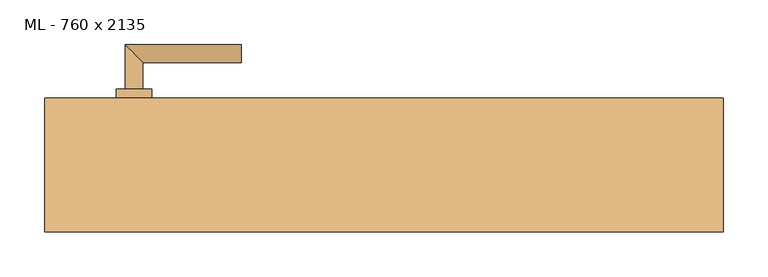
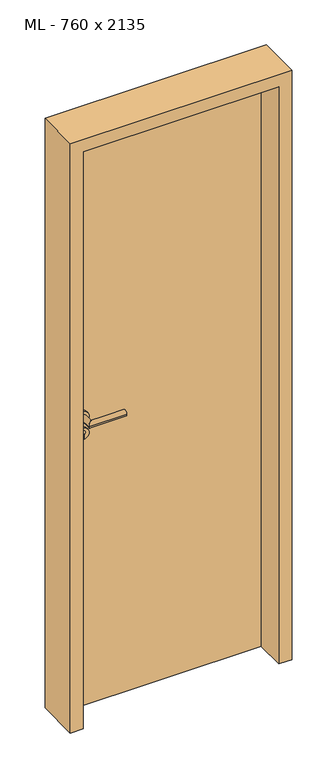
"""IFC4 building model written with IfcOpenShell, lengths in millimetres: door geometry, ML - 760 x 2135."""

from ifc_helpers import new_model, si_unit, point, frame, frame_2d, origin, origin_with_axes, place, context, project, spatial, polyline, circle_curve, ellipse_curve, trimmed, segment, composite_curve, outline, extrude, faceted_brep, source, transform, mapped, element, save
from ifc_brep_helpers import plane_surface, cylinder_surface, advanced_brep


def ml_760_x_2135_b7d29b9c(model_context):
    return source(origin(), model_context, "Body", "SolidModel", [
        extrude(outline(polyline([(346.0, 75.0), (346.0, 30.0), (-346.0, 30.0), (-346.0, 75.0), (346.0, 75.0)])), origin_with_axes(), (0.0, 0.0, 1.0), 2101.0),
        advanced_brep(
        [(-270.0, 85.0, 1050.0), (-290.0, 85.0, 1050.0), (-270.0, 115.0, 1050.0), (-290.0, 135.0, 1050.0), (-160.0, 115.0, 1050.0), (-160.0, 135.0, 1050.0)],
        [
            (0, 1, circle_curve(frame((-280.0, 85.0, 1050.0), z_axis=(0.0, -1.0, 0.0), x_axis=(-1.0, 0.0, 0.0)), 10.0)),
            (1, 0, circle_curve(frame((-280.0, 85.0, 1050.0), z_axis=(0.0, -1.0, 0.0), x_axis=(-1.0, 0.0, 0.0)), 10.0)),
            (0, 2),
            (2, 3, ellipse_curve(frame((-280.0, 125.0, 1050.0), z_axis=(-0.7071067811865531, -0.7071067811865419, 0.0), x_axis=(0.707106781186542, -0.707106781186553, 0.0)), 14.1421356, 10.0)),
            (3, 1),
            (3, 2, ellipse_curve(frame((-280.0, 125.0, 1050.0), z_axis=(-0.7071067811865531, -0.7071067811865419, 0.0), x_axis=(0.707106781186542, -0.707106781186553, 0.0)), 14.1421356, 10.0)),
            (4, 5, circle_curve(frame((-160.0, 125.0, 1050.0), z_axis=(1.0, 0.0, 0.0), x_axis=(0.0, 1.0, 0.0)), 10.0)),
            (5, 4, circle_curve(frame((-160.0, 125.0, 1050.0), z_axis=(1.0, 0.0, 0.0), x_axis=(0.0, 1.0, 0.0)), 10.0)),
            (2, 4),
            (5, 3),
        ],
        [
            plane_surface(frame((-280.0, 85.0, 1050.0), z_axis=(0.0, -1.0, 0.0), x_axis=(0.0, 0.0, 1.0))),
            cylinder_surface(frame((-280.0, 85.0, 1050.0), z_axis=(0.0, -1.0, 0.0), x_axis=(-1.0, 0.0, 0.0)), 10.0),
            plane_surface(frame((-160.0, 125.0, 1050.0), z_axis=(1.0, 0.0, 0.0), x_axis=(0.0, 0.0, 1.0))),
            cylinder_surface(frame((-280.0, 125.0, 1050.0), z_axis=(-1.0, 0.0, 0.0), x_axis=(0.0, 1.0, 0.0)), 10.0),
        ],
        [
            (0, [[1, 2]]),
            (1, [[-1, 3, 4, 5]]),
            (1, [[-2, -5, 6, -3]]),
            (2, [[7, 8]]),
            (3, [[-4, 9, -8, 10]]),
            (3, [[-6, -10, -7, -9]]),
        ],
    ),
        extrude(outline(composite_curve([segment(trimmed(circle_curve(frame_2d((990.0, -280.0)), 20.0), [point((990.0, -300.0))], [point((990.0, -260.0))], False, "CARTESIAN"), True, "CONTINUOUS"), segment(trimmed(circle_curve(frame_2d((990.0, -280.0)), 20.0), [point((990.0, -260.0))], [point((990.0, -300.0))], False, "CARTESIAN"), True, "CONTINUOUS")], self_intersect=False), holes=[composite_curve([segment(polyline([(976.4601385, -282.397268), (988.4749012, -282.397268)]), True, "CONTINUOUS"), segment(trimmed(circle_curve(frame_2d((995.0361633, -280.0)), 6.9854888), [point((988.4749012, -282.397268))], [point((988.4749012, -277.602732))], True, "CARTESIAN"), True, "CONTINUOUS"), segment(polyline([(988.4749012, -277.602732), (976.4601385, -277.602732)]), True, "CONTINUOUS"), segment(trimmed(circle_curve(frame_2d((976.4601385, -280.0)), 2.397268), [point((976.4601385, -277.602732))], [point((976.4601385, -282.397268))], True, "CARTESIAN"), True, "CONTINUOUS")], self_intersect=False)]), frame((0.0, 75.0, 0.0), z_axis=(0.0, 1.0, 0.0), x_axis=(0.0, 0.0, 1.0)), (0.0, 0.0, 1.0), 10.0),
        advanced_brep(
        [(-270.0, 85.0, 1050.0), (-290.0, 85.0, 1050.0), (-270.0, 115.0, 1050.0), (-290.0, 135.0, 1050.0), (-160.0, 115.0, 1050.0), (-160.0, 135.0, 1050.0)],
        [
            (0, 1, circle_curve(frame((-280.0, 85.0, 1050.0), z_axis=(0.0, -1.0, 0.0), x_axis=(-1.0, 0.0, 0.0)), 10.0)),
            (1, 0, circle_curve(frame((-280.0, 85.0, 1050.0), z_axis=(0.0, -1.0, 0.0), x_axis=(-1.0, 0.0, 0.0)), 10.0)),
            (0, 2),
            (2, 3, ellipse_curve(frame((-280.0, 125.0, 1050.0), z_axis=(-0.7071067811865537, -0.7071067811865414, 0.0), x_axis=(0.7071067811865414, -0.7071067811865536, 0.0)), 14.1421356, 10.0)),
            (3, 1),
            (3, 2, ellipse_curve(frame((-280.0, 125.0, 1050.0), z_axis=(-0.7071067811865537, -0.7071067811865414, 0.0), x_axis=(0.7071067811865414, -0.7071067811865536, 0.0)), 14.1421356, 10.0)),
            (4, 5, circle_curve(frame((-160.0, 125.0, 1050.0), z_axis=(1.0, 0.0, 0.0), x_axis=(0.0, 1.0, 0.0)), 10.0)),
            (5, 4, circle_curve(frame((-160.0, 125.0, 1050.0), z_axis=(1.0, 0.0, 0.0), x_axis=(0.0, 1.0, 0.0)), 10.0)),
            (2, 4),
            (5, 3),
        ],
        [
            plane_surface(frame((-280.0, 85.0, 1050.0), z_axis=(0.0, -1.0, 0.0), x_axis=(0.0, 0.0, 1.0))),
            cylinder_surface(frame((-280.0, 85.0, 1050.0), z_axis=(0.0, -1.0, 0.0), x_axis=(-1.0, 0.0, 0.0)), 10.0),
            plane_surface(frame((-160.0, 125.0, 1050.0), z_axis=(1.0, 0.0, 0.0), x_axis=(0.0, 0.0, 1.0))),
            cylinder_surface(frame((-280.0, 125.0, 1050.0), z_axis=(-1.0, 0.0, 0.0), x_axis=(0.0, 1.0, 0.0)), 10.0),
        ],
        [
            (0, [[1, 2]]),
            (1, [[-1, 3, 4, 5]]),
            (1, [[-2, -5, 6, -3]]),
            (2, [[7, 8]]),
            (3, [[-4, 9, -8, 10]]),
            (3, [[-6, -10, -7, -9]]),
        ],
    ),
        extrude(outline(composite_curve([segment(trimmed(circle_curve(frame_2d((1050.0, -280.0)), 20.0), [point((1050.0, -300.0))], [point((1050.0, -260.0))], False, "CARTESIAN"), True, "CONTINUOUS"), segment(trimmed(circle_curve(frame_2d((1050.0, -280.0)), 20.0), [point((1050.0, -260.0))], [point((1050.0, -300.0))], False, "CARTESIAN"), True, "CONTINUOUS")], self_intersect=False)), frame((0.0, 75.0, 0.0), z_axis=(0.0, 1.0, 0.0), x_axis=(0.0, 0.0, 1.0)), (0.0, 0.0, 1.0), 10.0),
        advanced_brep(
        [(-270.0, 20.0, 1050.0), (-290.0, 20.0, 1050.0), (-290.0, -30.0, 1050.0), (-270.0, -10.0, 1050.0), (-160.0, -10.0, 1050.0), (-160.0, -30.0, 1050.0)],
        [
            (0, 1, circle_curve(frame((-280.0, 20.0, 1050.0), z_axis=(0.0, 1.0, 0.0), x_axis=(-1.0, 0.0, 0.0)), 10.0)),
            (1, 0, circle_curve(frame((-280.0, 20.0, 1050.0), z_axis=(0.0, 1.0, 0.0), x_axis=(-1.0, 0.0, 0.0)), 10.0)),
            (1, 2),
            (2, 3, ellipse_curve(frame((-280.0, -20.0, 1050.0), z_axis=(-0.7071067811865486, 0.7071067811865464, 0.0), x_axis=(0.7071067811865464, 0.7071067811865488, 0.0)), 14.1421356, 10.0)),
            (3, 0),
            (3, 2, ellipse_curve(frame((-280.0, -20.0, 1050.0), z_axis=(-0.7071067811865486, 0.7071067811865464, 0.0), x_axis=(0.7071067811865464, 0.7071067811865488, 0.0)), 14.1421356, 10.0)),
            (4, 5, circle_curve(frame((-160.0, -20.0, 1050.0), z_axis=(1.0, 0.0, 0.0), x_axis=(0.0, -1.0, 0.0)), 10.0)),
            (5, 4, circle_curve(frame((-160.0, -20.0, 1050.0), z_axis=(1.0, 0.0, 0.0), x_axis=(0.0, -1.0, 0.0)), 10.0)),
            (2, 5),
            (4, 3),
        ],
        [
            plane_surface(frame((-280.0, 20.0, 1050.0), z_axis=(0.0, 1.0, 0.0), x_axis=(0.0, 0.0, 1.0))),
            cylinder_surface(frame((-280.0, 20.0, 1050.0), z_axis=(0.0, 1.0, 0.0), x_axis=(-1.0, 0.0, 0.0)), 10.0),
            plane_surface(frame((-160.0, -20.0, 1050.0), z_axis=(1.0, 0.0, 0.0), x_axis=(0.0, 0.0, 1.0))),
            cylinder_surface(frame((-280.0, -20.0, 1050.0), z_axis=(-1.0, 0.0, 0.0), x_axis=(0.0, -1.0, 0.0)), 10.0),
        ],
        [
            (0, [[1, 2]]),
            (1, [[3, 4, 5, -2]]),
            (1, [[-5, 6, -3, -1]]),
            (2, [[7, 8]]),
            (3, [[9, -7, 10, -4]]),
            (3, [[-10, -8, -9, -6]]),
        ],
    ),
        extrude(outline(composite_curve([segment(trimmed(circle_curve(frame_2d((990.0, -280.0)), 20.0), [point((990.0, -300.0))], [point((990.0, -260.0))], False, "CARTESIAN"), True, "CONTINUOUS"), segment(trimmed(circle_curve(frame_2d((990.0, -280.0)), 20.0), [point((990.0, -260.0))], [point((990.0, -300.0))], False, "CARTESIAN"), True, "CONTINUOUS")], self_intersect=False), holes=[composite_curve([segment(polyline([(976.4601385, -282.397268), (988.4749012, -282.397268)]), True, "CONTINUOUS"), segment(trimmed(circle_curve(frame_2d((995.0361633, -280.0)), 6.9854888), [point((988.4749012, -282.397268))], [point((988.4749012, -277.602732))], True, "CARTESIAN"), True, "CONTINUOUS"), segment(polyline([(988.4749012, -277.602732), (976.4601385, -277.602732)]), True, "CONTINUOUS"), segment(trimmed(circle_curve(frame_2d((976.4601385, -280.0)), 2.397268), [point((976.4601385, -277.602732))], [point((976.4601385, -282.397268))], True, "CARTESIAN"), True, "CONTINUOUS")], self_intersect=False)]), frame((0.0, 20.0, 0.0), z_axis=(0.0, 1.0, 0.0), x_axis=(0.0, 0.0, 1.0)), (0.0, 0.0, 1.0), 10.0),
        advanced_brep(
        [(-270.0, 20.0, 1050.0), (-290.0, 20.0, 1050.0), (-290.0, -30.0, 1050.0), (-270.0, -10.0, 1050.0), (-160.0, -10.0, 1050.0), (-160.0, -30.0, 1050.0)],
        [
            (0, 1, circle_curve(frame((-280.0, 20.0, 1050.0), z_axis=(0.0, 1.0, 0.0), x_axis=(-1.0, 0.0, 0.0)), 10.0)),
            (1, 0, circle_curve(frame((-280.0, 20.0, 1050.0), z_axis=(0.0, 1.0, 0.0), x_axis=(-1.0, 0.0, 0.0)), 10.0)),
            (1, 2),
            (2, 3, ellipse_curve(frame((-280.0, -20.0, 1050.0), z_axis=(-0.7071067811865491, 0.7071067811865459, 0.0), x_axis=(0.7071067811865458, 0.7071067811865492, 0.0)), 14.1421356, 10.0)),
            (3, 0),
            (3, 2, ellipse_curve(frame((-280.0, -20.0, 1050.0), z_axis=(-0.7071067811865491, 0.7071067811865459, 0.0), x_axis=(0.7071067811865458, 0.7071067811865492, 0.0)), 14.1421356, 10.0)),
            (4, 5, circle_curve(frame((-160.0, -20.0, 1050.0), z_axis=(1.0, 0.0, 0.0), x_axis=(0.0, -1.0, 0.0)), 10.0)),
            (5, 4, circle_curve(frame((-160.0, -20.0, 1050.0), z_axis=(1.0, 0.0, 0.0), x_axis=(0.0, -1.0, 0.0)), 10.0)),
            (2, 5),
            (4, 3),
        ],
        [
            plane_surface(frame((-280.0, 20.0, 1050.0), z_axis=(0.0, 1.0, 0.0), x_axis=(0.0, 0.0, 1.0))),
            cylinder_surface(frame((-280.0, 20.0, 1050.0), z_axis=(0.0, 1.0, 0.0), x_axis=(-1.0, 0.0, 0.0)), 10.0),
            plane_surface(frame((-160.0, -20.0, 1050.0), z_axis=(1.0, 0.0, 0.0), x_axis=(0.0, 0.0, 1.0))),
            cylinder_surface(frame((-280.0, -20.0, 1050.0), z_axis=(-1.0, 0.0, 0.0), x_axis=(0.0, -1.0, 0.0)), 10.0),
        ],
        [
            (0, [[1, 2]]),
            (1, [[3, 4, 5, -2]]),
            (1, [[-5, 6, -3, -1]]),
            (2, [[7, 8]]),
            (3, [[9, -7, 10, -4]]),
            (3, [[-10, -8, -9, -6]]),
        ],
    ),
        extrude(outline(composite_curve([segment(trimmed(circle_curve(frame_2d((1050.0, -280.0)), 20.0), [point((1050.0, -300.0))], [point((1050.0, -260.0))], False, "CARTESIAN"), True, "CONTINUOUS"), segment(trimmed(circle_curve(frame_2d((1050.0, -280.0)), 20.0), [point((1050.0, -260.0))], [point((1050.0, -300.0))], False, "CARTESIAN"), True, "CONTINUOUS")], self_intersect=False)), frame((0.0, 20.0, 0.0), z_axis=(0.0, 1.0, 0.0), x_axis=(0.0, 0.0, 1.0)), (0.0, 0.0, 1.0), 10.0),
        faceted_brep([(-350.0, 75.0, 0.0), (-350.0, 30.0, 0.0), (-335.0, 30.0, 0.0), (-335.0, -75.0, 0.0), (-380.0, -75.0, 0.0), (-380.0, 75.0, 0.0), (-350.0, 75.0, 2105.0), (-350.0, 30.0, 2105.0), (350.0, 30.0, 2105.0), (350.0, 30.0, 0.0), (335.0, 30.0, 0.0), (335.0, 30.0, 2090.0), (-335.0, 30.0, 2090.0), (-335.0, -75.0, 2090.0), (335.0, -75.0, 2090.0), (335.0, -75.0, 0.0), (380.0, -75.0, 0.0), (380.0, -75.0, 2135.0), (-380.0, -75.0, 2135.0), (-380.0, 75.0, 2135.0), (380.0, 75.0, 2135.0), (380.0, 75.0, 0.0), (350.0, 75.0, 0.0), (350.0, 75.0, 2105.0)], [[[0, 1, 2, 3, 4, 5]], [[1, 0, 6, 7]], [[2, 1, 7, 8, 9, 10, 11, 12]], [[3, 2, 12, 13]], [[4, 3, 13, 14, 15, 16, 17, 18]], [[5, 4, 18, 19]], [[0, 5, 19, 20, 21, 22, 23, 6]], [[20, 17, 16, 21]], [[22, 21, 16, 15, 10, 9]], [[8, 23, 22, 9]], [[14, 11, 10, 15]], [[19, 18, 17, 20]], [[13, 12, 11, 14]], [[7, 6, 23, 8]]]),
    ])


if __name__ == "__main__":
    model = new_model("IFC4")
    model_context = context("Model", 3, world=origin())
    ifc_project = project(units=[si_unit("LENGTHUNIT", "METRE", prefix="MILLI")], contexts=[model_context])
    site = spatial("IfcSite", under=ifc_project)
    building = spatial("IfcBuilding", under=site)
    placement = place(None, origin())
    ml_760_x_2135_shape = ml_760_x_2135_b7d29b9c(model_context)
    element("IfcDoor", 1, ObjectType="ML - 760 x 2135", at=placement, inside=building, context=model_context, shape_type="MappedRepresentation", body=[
        mapped(ml_760_x_2135_shape, transform((0.0, 0.0, 0.0), x_axis=(1.0, 0.0, 0.0), y_axis=(0.0, 1.0, 0.0), z_axis=(0.0, 0.0, 1.0))),
    ])
    save(model, "model.ifc")
